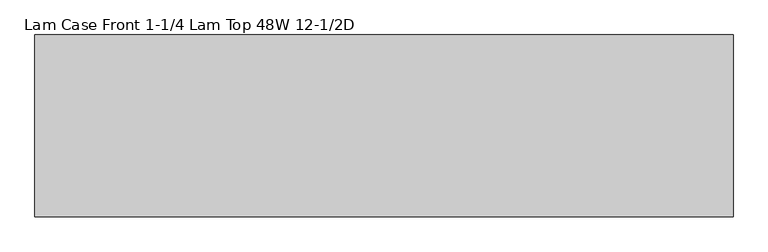
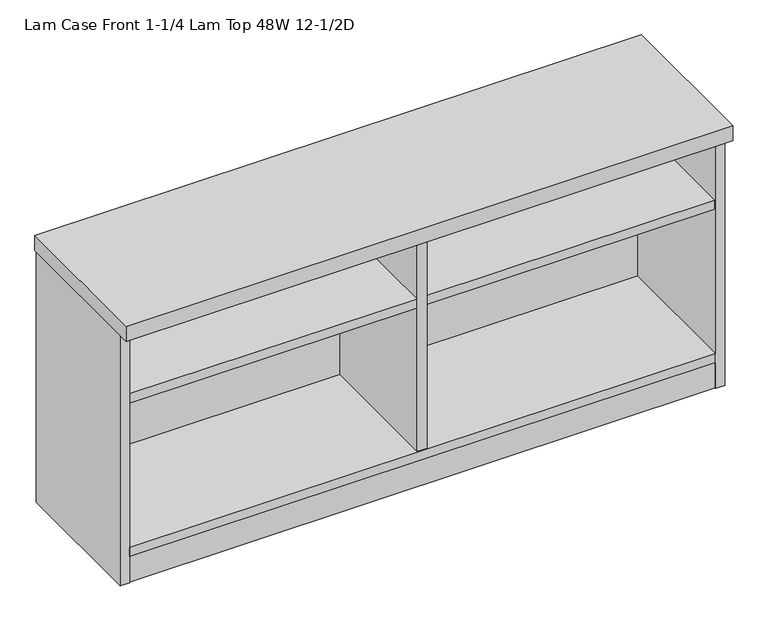
"""IFC4 building model written with IfcOpenShell, lengths in millimetres: furniture geometry, Lam Case Front 1-1/4 Lam Top 48W 12-1/2D."""

import ifcopenshell
import ifcopenshell.guid

model = None  # the IFC model being written
_history = None  # IfcOwnerHistory: only IFC2X3 demands one
_inside = {}  # id of a spatial element -> (the spatial element, [elements in it])
_under = {}  # id of a project, library or spatial element -> (it, [spatial elements below it])
_declared = {}  # id of a project -> (the project, [libraries it declares])
_typed = {}  # id of a type object -> (the type object, [elements of that type])
_made_of = {}  # id of a material, layer set ... -> (it, [elements and type objects made of it])


def new_model(schema):
    """Start an empty IFC model of exactly this schema.

    Asked for "IFC4X3", IfcOpenShell would pick the latest addendum, in which some entities
    have other attributes; the version numbers below select the first issue.
    IFC2X3 requires an IfcOwnerHistory on every rooted entity: one is made here for all.
    """
    global model, _history
    if schema == "IFC4X3":
        model = ifcopenshell.file(schema_version=(4, 3, 0, 0))
    else:
        model = ifcopenshell.file(schema=schema)
    _inside.clear()
    _under.clear()
    _declared.clear()
    _typed.clear()
    _made_of.clear()
    _history = None
    if model.schema == "IFC2X3":
        org = make("IfcOrganization", Name="unknown")
        user = make(
            "IfcPersonAndOrganization",
            ThePerson=make("IfcPerson", FamilyName="unknown"),
            TheOrganization=org,
        )
        app = make(
            "IfcApplication",
            ApplicationDeveloper=org,
            Version="unknown",
            ApplicationFullName="unknown",
            ApplicationIdentifier="unknown",
        )
        _history = make(
            "IfcOwnerHistory",
            OwningUser=user,
            OwningApplication=app,
            ChangeAction="ADDED",
            CreationDate=0,
        )
    return model


def make(cls, **values):
    """One entity of the class cls with the attributes given. An attribute that is None is left unset."""
    return model.create_entity(
        cls, **{name: value for name, value in values.items() if value is not None}
    )


def rooted(cls, **values):
    """An entity with a GlobalId (a new one), such as an element, a storey or a relation."""
    return make(cls, GlobalId=ifcopenshell.guid.new(), OwnerHistory=_history, **values)


def si_unit(unit_type, name, prefix=None):
    """IfcSIUnit, for example si_unit("LENGTHUNIT", "METRE", prefix="MILLI")."""
    return make("IfcSIUnit", UnitType=unit_type, Prefix=prefix, Name=name)


def assignment(units):
    """IfcUnitAssignment: the units of a project."""
    return None if units is None else make("IfcUnitAssignment", Units=units)


def point(xyz):
    """IfcCartesianPoint."""
    return None if xyz is None else make("IfcCartesianPoint", Coordinates=xyz)


def direction(xyz):
    """IfcDirection."""
    return None if xyz is None else make("IfcDirection", DirectionRatios=xyz)


def frame(location, z_axis=None, x_axis=None):
    """IfcAxis2Placement3D, a coordinate frame: its origin and axes. An axis left out is left unset."""
    return make(
        "IfcAxis2Placement3D",
        Location=point(location),
        Axis=direction(z_axis),
        RefDirection=direction(x_axis),
    )


def origin():
    """The frame at (0, 0, 0) with its axes left unset."""
    return frame((0.0, 0.0, 0.0))


def origin_with_axes():
    """The frame at (0, 0, 0) with the z axis (0, 0, 1) and the x axis (1, 0, 0) written out."""
    return frame((0.0, 0.0, 0.0), z_axis=(0.0, 0.0, 1.0), x_axis=(1.0, 0.0, 0.0))


def place(relative_to, where):
    """IfcLocalPlacement: puts the frame where relative to a parent placement (None: the world)."""
    return make(
        "IfcLocalPlacement", PlacementRelTo=relative_to, RelativePlacement=where
    )


def context(
    kind, dimensions, precision=None, world=None, true_north=None, identifier=None
):
    """IfcGeometricRepresentationContext, for example the 3D "Model" context."""
    return make(
        "IfcGeometricRepresentationContext",
        ContextIdentifier=identifier,
        ContextType=kind,
        CoordinateSpaceDimension=dimensions,
        Precision=precision,
        WorldCoordinateSystem=world,
        TrueNorth=true_north,
    )


def project(units=None, contexts=None):
    """IfcProject with its units and contexts."""
    return rooted(
        "IfcProject",
        Name="project",
        RepresentationContexts=contexts,
        UnitsInContext=assignment(units),
    )


def spatial(cls, under=None, at=None, **own):
    """A site, building, storey or space (cls), placed at a placement, below another one or the project."""
    s = rooted(cls, ObjectPlacement=at, **own)
    if under is not None:
        _under.setdefault(under.id(), (under, []))[1].append(s)
    return s


def polyline(points):
    """IfcPolyline through the points."""
    return make("IfcPolyline", Points=[point(p) for p in points])


def outline(outer, holes=None, kind="AREA"):
    """IfcArbitraryClosedProfileDef: a profile drawn as a closed curve; with holes, ...WithVoids."""
    if holes is None:
        return make("IfcArbitraryClosedProfileDef", ProfileType=kind, OuterCurve=outer)
    return make(
        "IfcArbitraryProfileDefWithVoids",
        ProfileType=kind,
        OuterCurve=outer,
        InnerCurves=holes,
    )


def extrude(swept, where, along, depth):
    """IfcExtrudedAreaSolid: the profile swept, set in the frame where, extruded along a direction by depth."""
    return make(
        "IfcExtrudedAreaSolid",
        SweptArea=swept,
        Position=where,
        ExtrudedDirection=direction(along),
        Depth=depth,
    )


def shape(context_of_items, identifier, shape_type, items):
    """IfcShapeRepresentation: the items that make up one representation, for example the "Body"."""
    return make(
        "IfcShapeRepresentation",
        ContextOfItems=context_of_items,
        RepresentationIdentifier=identifier,
        RepresentationType=shape_type,
        Items=items,
    )


def source(mapping_origin, context_of_items, identifier, shape_type, items):
    """IfcRepresentationMap: a shape defined once, which mapped items show again and again."""
    return make(
        "IfcRepresentationMap",
        MappingOrigin=mapping_origin,
        MappedRepresentation=shape(context_of_items, identifier, shape_type, items),
    )


def transform(
    local_origin,
    x_axis=None,
    y_axis=None,
    z_axis=None,
    scale=None,
    scale2=None,
    scale3=None,
    uniform=True,
):
    """IfcCartesianTransformationOperator3D, or its non-uniform kind. x_axis, y_axis, z_axis: its Axis1, 2, 3."""
    if uniform:
        return make(
            "IfcCartesianTransformationOperator3D",
            Axis1=direction(x_axis),
            Axis2=direction(y_axis),
            LocalOrigin=point(local_origin),
            Scale=scale,
            Axis3=direction(z_axis),
        )
    return make(
        "IfcCartesianTransformationOperator3DnonUniform",
        Axis1=direction(x_axis),
        Axis2=direction(y_axis),
        LocalOrigin=point(local_origin),
        Scale=scale,
        Axis3=direction(z_axis),
        Scale2=scale2,
        Scale3=scale3,
    )


def mapped(mapping_source, mapping_target):
    """IfcMappedItem: shows the shape of a source again, moved by a transform."""
    return make(
        "IfcMappedItem", MappingSource=mapping_source, MappingTarget=mapping_target
    )


def made_of(thing, what):
    """Note that an element or type object is made of a material, layer set ...; save() writes the relation."""
    if what is not None:
        _made_of.setdefault(what.id(), (what, []))[1].append(thing)
    return thing


def element(
    cls,
    number,
    at=None,
    inside=None,
    cuts=None,
    type_object=None,
    material=None,
    context=None,
    identifier="Body",
    shape_type=None,
    held_by="IfcProductDefinitionShape",
    body=None,
    shapes=None,
    **own,
):
    """One element of the class cls, such as IfcWall. Its Tag is "e" and its number.

    at: its placement. inside: the storey or other place that contains it. cuts: it is an
    opening in that element (IfcRelVoidsElement). A single representation is given by context,
    identifier, shape_type and body (its items); several are given by shapes. held_by: the class
    of the entity that holds the representations. save() writes the other relations.
    """
    e = rooted(cls, Tag="e%d" % number, ObjectPlacement=at, **own)
    if body is not None:
        shapes = [shape(context, identifier, shape_type, body)]
    if shapes is not None:
        e.Representation = make(held_by, Representations=shapes)
    if inside is not None:
        _inside.setdefault(inside.id(), (inside, []))[1].append(e)
    if cuts is not None:
        rooted(
            "IfcRelVoidsElement", RelatingBuildingElement=cuts, RelatedOpeningElement=e
        )
    if type_object is not None:
        _typed.setdefault(type_object.id(), (type_object, []))[1].append(e)
    return made_of(e, material)


def aggregate(whole, parts):
    """IfcRelAggregates: a whole, such as a stair, and the parts it consists of."""
    return rooted("IfcRelAggregates", RelatingObject=whole, RelatedObjects=parts)


def save(model, path):
    """Write the relations noted so far, then the file.

    IfcRelAggregates (storeys below a building ...), IfcRelContainedInSpatialStructure (elements
    in a storey), IfcRelDefinesByType, IfcRelAssociatesMaterial and IfcRelDeclares: one each for
    every whole, place, type object, material and project.
    """
    for whole, parts in _under.values():
        aggregate(whole, parts)
    for where, things in _inside.values():
        rooted(
            "IfcRelContainedInSpatialStructure",
            RelatedElements=things,
            RelatingStructure=where,
        )
    for kind, things in _typed.values():
        rooted("IfcRelDefinesByType", RelatedObjects=things, RelatingType=kind)
    for what, things in _made_of.values():
        rooted("IfcRelAssociatesMaterial", RelatedObjects=things, RelatingMaterial=what)
    for by, libraries in _declared.values():
        rooted("IfcRelDeclares", RelatingContext=by, RelatedDefinitions=libraries)
    model.write(path)


def lam_case_front_1_1_4_lam_top_48w_12_1_2d_b3ed5617(model_context):
    return source(origin(), model_context, "Body", "SweptSolid", [
        extrude(outline(polyline([(1156.8692022, -244.0355984), (1172.81706, -234.8280984), (1188.7649178, -244.0355984), (1188.7649178, -262.4505984), (1172.81706, -271.6580984), (1156.8692022, -262.4505984), (1156.8692022, -244.0355984)])), origin_with_axes(), (0.0, 0.0, 1.0), 9.144),
        extrude(outline(polyline([(1156.8692022, -47.1181713), (1172.81706, -37.9106713), (1188.7649178, -47.1181713), (1188.7649178, -65.5331713), (1172.81706, -74.7406713), (1156.8692022, -65.5331713), (1156.8692022, -47.1181713)])), origin_with_axes(), (0.0, 0.0, 1.0), 9.144),
        extrude(outline(polyline([(30.4350822, -244.0355984), (46.38294, -234.8280984), (62.3307978, -244.0355984), (62.3307978, -262.4505984), (46.38294, -271.6580984), (30.4350822, -262.4505984), (30.4350822, -244.0355984)])), origin_with_axes(), (0.0, 0.0, 1.0), 9.144),
        extrude(outline(polyline([(30.4350822, -47.1181713), (46.38294, -37.9106713), (62.3307978, -47.1181713), (62.3307978, -65.5331713), (46.38294, -74.7406713), (30.4350822, -65.5331713), (30.4350822, -47.1181713)])), origin_with_axes(), (0.0, 0.0, 1.0), 9.144),
        extrude(outline(polyline([(619.252, -30.4938704), (1198.3085154, -30.4938704), (1198.3085154, -299.2258374), (619.252, -299.2258374), (619.252, -30.4938704)])), frame((0.0, 0.0, 384.3705787), z_axis=(0.0, 0.0, 1.0), x_axis=(1.0, 0.0, 0.0)), (0.0, 0.0, 1.0), 19.304),
        extrude(outline(polyline([(1198.3085154, -299.9878548), (20.8915005, -299.9878548), (20.8915005, -280.6838548), (1198.3085154, -280.6838548), (1198.3085154, -299.9878548)])), frame((0.0, 0.0, 4.699), z_axis=(0.0, 0.0, 1.0), x_axis=(1.0, 0.0, 0.0)), (0.0, 0.0, 1.0), 55.56758),
        extrude(outline(polyline([(1198.3085154, -30.4938704), (1198.3085154, -301.1308447), (20.8915005, -301.1308447), (20.8915005, -30.4938704), (1198.3085154, -30.4938704)])), frame((0.0, 0.0, 520.1843787), z_axis=(0.0, 0.0, 1.0), x_axis=(1.0, 0.0, 0.0)), (0.0, 0.0, 1.0), 19.304),
        extrude(outline(polyline([(599.948, -30.4938704), (619.252, -30.4938704), (619.252, -299.9878548), (599.948, -299.9878548), (599.948, -30.4938704)])), frame((0.0, 0.0, 79.57058), z_axis=(0.0, 0.0, 1.0), x_axis=(1.0, 0.0, 0.0)), (0.0, 0.0, 1.0), 440.6137987),
        extrude(outline(polyline([(599.948, -30.4938704), (599.948, -299.2258374), (20.8915, -299.2258374), (20.8915, -30.4938704), (599.948, -30.4938704)])), frame((0.0, 0.0, 384.3705787), z_axis=(0.0, 0.0, 1.0), x_axis=(1.0, 0.0, 0.0)), (0.0, 0.0, 1.0), 19.304),
        extrude(outline(polyline([(1219.2, -8.0783713), (1219.2, -325.5783713), (0.0, -325.5783713), (0.0, -8.0783713), (1219.2, -8.0783713)])), frame((0.0, 0.0, 539.4883818), z_axis=(0.0, 0.0, 1.0), x_axis=(1.0, 0.0, 0.0)), (0.0, 0.0, 1.0), 31.7499969),
        extrude(outline(polyline([(1198.3085154, -30.4938704), (1198.3085154, -301.1308447), (20.8915005, -301.1308447), (20.8915005, -30.4938704), (1198.3085154, -30.4938704)])), frame((0.0, 0.0, 60.26658), z_axis=(0.0, 0.0, 1.0), x_axis=(1.0, 0.0, 0.0)), (0.0, 0.0, 1.0), 19.304),
        extrude(outline(polyline([(1198.3085154, -11.1898712), (1198.3085154, -30.4938704), (20.8915005, -30.4938704), (20.8915005, -11.1898712), (1198.3085154, -11.1898712)])), frame((0.0, 0.0, 4.699), z_axis=(0.0, 0.0, 1.0), x_axis=(1.0, 0.0, 0.0)), (0.0, 0.0, 1.0), 534.7893787),
        extrude(outline(polyline([(20.8915005, -9.6658713), (20.8915005, -301.5118534), (1.5875, -301.5118534), (1.5875, -9.6658713), (20.8915005, -9.6658713)])), frame((0.0, 0.0, 4.699), z_axis=(0.0, 0.0, 1.0), x_axis=(1.0, 0.0, 0.0)), (0.0, 0.0, 1.0), 534.7893787),
        extrude(outline(polyline([(1198.3085154, -9.6658713), (1217.6125158, -9.6658713), (1217.6125158, -301.5118534), (1198.3085154, -301.5118534), (1198.3085154, -9.6658713)])), frame((0.0, 0.0, 4.699), z_axis=(0.0, 0.0, 1.0), x_axis=(1.0, 0.0, 0.0)), (0.0, 0.0, 1.0), 534.7893787),
    ])


if __name__ == "__main__":
    model = new_model("IFC4")
    model_context = context("Model", 3, world=origin())
    ifc_project = project(units=[si_unit("LENGTHUNIT", "METRE", prefix="MILLI")], contexts=[model_context])
    site = spatial("IfcSite", under=ifc_project)
    building = spatial("IfcBuilding", under=site)
    placement = place(None, origin())
    lam_case_front_1_1_4_lam_top_48w_12_1_2d_shape = lam_case_front_1_1_4_lam_top_48w_12_1_2d_b3ed5617(model_context)
    element("IfcFurniture", 1, ObjectType="Lam Case Front 1-1/4 Lam Top 48W 12-1/2D", at=placement, inside=building, context=model_context, shape_type="MappedRepresentation", body=[
        mapped(lam_case_front_1_1_4_lam_top_48w_12_1_2d_shape, transform((0.0, 0.0, 0.0), x_axis=(1.0, 0.0, 0.0), y_axis=(0.0, 1.0, 0.0), z_axis=(0.0, 0.0, 1.0))),
    ])
    save(model, "model.ifc")
